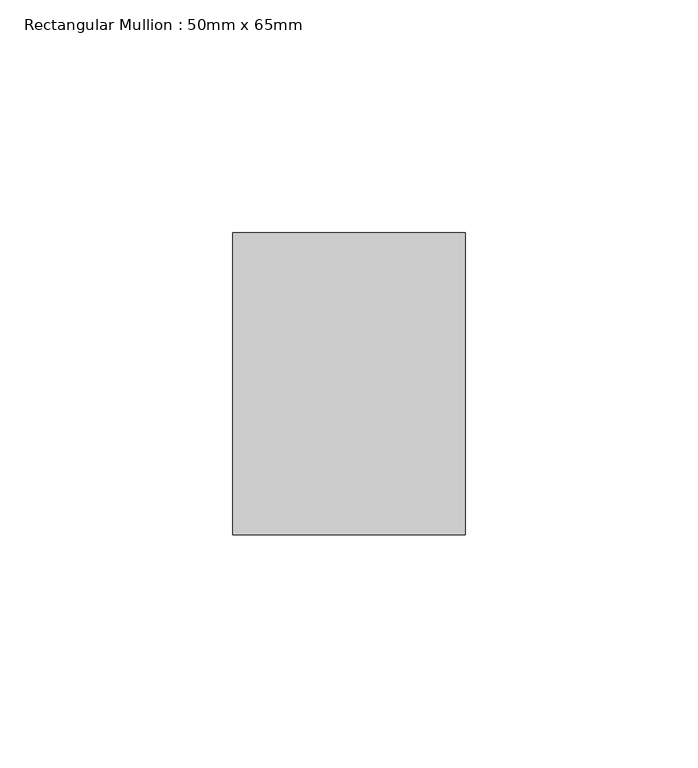
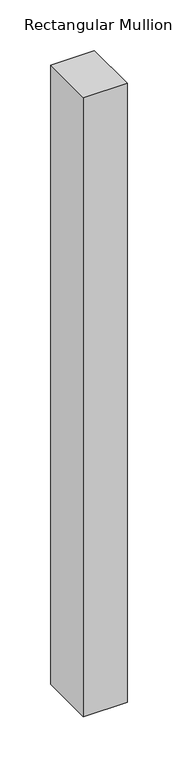
"""IFC4 building model written with IfcOpenShell, lengths in millimetres: member geometry, Rectangular Mullion : 50mm x 65mm."""

from ifc_helpers import new_model, si_unit, frame, origin, place, context, project, spatial, polyline, outline, extrude, source, transform, mapped, element, save


def rectangular_mullion_50mm_x_65mm_68ebd206(model_context):
    return source(origin(), model_context, "Body", "SweptSolid", [
        extrude(outline(polyline([(25.0, 32.5), (25.0, -32.5), (-25.0, -32.5), (-25.0, 32.5), (25.0, 32.5)])), frame((0.0, 0.0, -748.3577517), z_axis=(0.0, 0.0, 1.0), x_axis=(1.0, 0.0, 0.0)), (0.0, 0.0, 1.0), 748.3577517),
    ])


if __name__ == "__main__":
    model = new_model("IFC4")
    model_context = context("Model", 3, world=origin())
    ifc_project = project(units=[si_unit("LENGTHUNIT", "METRE", prefix="MILLI")], contexts=[model_context])
    site = spatial("IfcSite", under=ifc_project)
    building = spatial("IfcBuilding", under=site)
    placement = place(None, origin())
    rectangular_mullion_50mm_x_65mm_shape = rectangular_mullion_50mm_x_65mm_68ebd206(model_context)
    element("IfcMember", 1, ObjectType="Rectangular Mullion : 50mm x 65mm", at=placement, inside=building, context=model_context, shape_type="MappedRepresentation", body=[
        mapped(rectangular_mullion_50mm_x_65mm_shape, transform((0.0, 0.0, 0.0), x_axis=(1.0, 0.0, 0.0), y_axis=(0.0, 1.0, 0.0), z_axis=(0.0, 0.0, 1.0))),
    ])
    save(model, "model.ifc")
